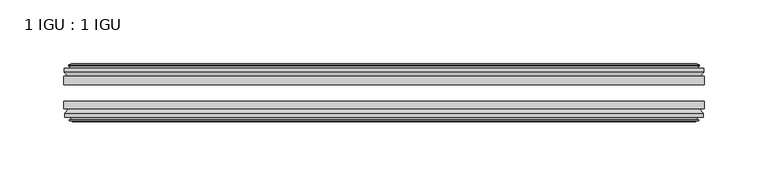
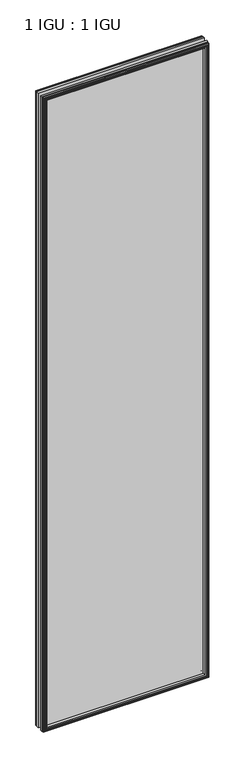
"""IFC4 building model written with IfcOpenShell, lengths in millimetres: plate geometry, 1 IGU : 1 IGU."""

from ifc_helpers import new_model, si_unit, frame, origin, place, context, project, spatial, polyline, outline, extrude, faceted_brep, source, transform, mapped, element, save


def plate_1_igu_1_igu_56df8c8b(model_context):
    return source(origin(), model_context, "Body", "SolidModel", [
        extrude(outline(polyline([(250.2044134, -25.8960937), (250.2044134, -32.2460938), (-250.2044134, -32.2460938), (-250.2044134, -25.8960937), (250.2044134, -25.8960937)])), frame((0.0, 0.0, -12.7), z_axis=(0.0, 0.0, 1.0), x_axis=(1.0, 0.0, 0.0)), (0.0, 0.0, 1.0), 2019.3),
        extrude(outline(polyline([(-250.2044134, -51.2960938), (-250.2044134, -45.2686737), (250.2044134, -45.2686737), (250.2044134, -51.2960938), (-250.2044134, -51.2960938)])), frame((0.0, 0.0, -12.7), z_axis=(0.0, 0.0, 1.0), x_axis=(1.0, 0.0, 0.0)), (0.0, 0.0, 1.0), 2019.3),
        faceted_brep([(-244.6164134, -60.0262907, 2001.012), (-244.9974134, -57.6460937, 2001.393), (-244.9974134, -57.6460937, -7.493), (-244.6164134, -60.0262907, -7.112), (-246.0319424, -59.5663575, 2002.4275291), (-246.0319424, -59.5663575, -8.5275291), (-246.0319424, -60.3675717, 2002.4275291), (-246.0319424, -60.3675717, -8.5275291), (-243.8544134, -61.0750937, 2000.25), (-243.8544134, -61.0750937, -6.35), (-241.6768843, -60.3675717, 1998.0724709), (-241.6768843, -60.3675717, -4.1724709), (-241.6768843, -59.5663575, 1998.0724709), (-241.6768843, -59.5663575, -4.1724709), (-243.0924134, -60.0262907, 1999.488), (-243.0924134, -60.0262907, -5.588), (-242.7114134, -57.6460937, 1999.107), (-242.7114134, -57.6460937, -5.207), (-235.7866953, -51.2960937, 1992.1822819), (-237.5044134, -57.6460937, 1993.9), (-237.5044134, -57.6460937, 0.0), (-235.7866953, -51.2960937, 1.7177181), (-249.4424134, -54.6996937, 2005.838), (-246.6080712, -51.2960937, 2003.0036578), (-246.6080712, -51.2960937, -9.1036578), (-249.4424134, -54.6996937, -11.938), (-249.4424134, -57.6460937, 2005.838), (-249.4424134, -57.6460937, -11.938), (244.9974134, -57.6460938, -7.493), (244.6164134, -60.0262907, -7.112), (246.0319424, -59.5663575, -8.5275291), (246.0319424, -60.3675717, -8.5275291), (243.8544134, -61.0750937, -6.35), (241.6768843, -60.3675717, -4.1724709), (241.6768843, -59.5663575, -4.1724709), (243.0924134, -60.0262907, -5.588), (242.7114134, -57.6460937, -5.207), (237.5044134, -57.6460937, 0.0), (235.7866953, -51.2960937, 1.7177181), (246.6080712, -51.2960937, -9.1036578), (249.4424134, -54.6996937, -11.938), (249.4424134, -57.6460938, -11.938), (244.9974134, -57.6460938, 2001.393), (244.6164134, -60.0262907, 2001.012), (246.0319424, -59.5663575, 2002.4275291), (246.0319424, -60.3675717, 2002.4275291), (243.8544134, -61.0750937, 2000.25), (241.6768843, -60.3675717, 1998.0724709), (241.6768843, -59.5663575, 1998.0724709), (243.0924134, -60.0262907, 1999.488), (242.7114134, -57.6460937, 1999.107), (237.5044134, -57.6460937, 1993.9), (235.7866953, -51.2960937, 1992.1822819), (246.6080712, -51.2960937, 2003.0036578), (249.4424134, -54.6996937, 2005.838), (249.4424134, -57.6460938, 2005.838)], [[[0, 1, 2, 3]], [[4, 0, 3, 5]], [[6, 4, 5, 7]], [[8, 6, 7, 9]], [[10, 8, 9, 11]], [[12, 10, 11, 13]], [[14, 12, 13, 15]], [[16, 14, 15, 17]], [[18, 19, 20, 21]], [[22, 23, 24, 25]], [[26, 22, 25, 27]], [[3, 2, 28, 29]], [[5, 3, 29, 30]], [[7, 5, 30, 31]], [[9, 7, 31, 32]], [[11, 9, 32, 33]], [[13, 11, 33, 34]], [[15, 13, 34, 35]], [[17, 15, 35, 36]], [[21, 20, 37, 38]], [[25, 24, 39, 40]], [[27, 25, 40, 41]], [[29, 28, 42, 43]], [[30, 29, 43, 44]], [[31, 30, 44, 45]], [[32, 31, 45, 46]], [[33, 32, 46, 47]], [[34, 33, 47, 48]], [[35, 34, 48, 49]], [[36, 35, 49, 50]], [[38, 37, 51, 52]], [[40, 39, 53, 54]], [[41, 40, 54, 55]], [[27, 41, 55, 26], [1, 42, 28, 2]], [[43, 42, 1, 0]], [[44, 43, 0, 4]], [[45, 44, 4, 6]], [[46, 45, 6, 8]], [[47, 46, 8, 10]], [[48, 47, 10, 12]], [[49, 48, 12, 14]], [[50, 49, 14, 16]], [[17, 36, 50, 16], [19, 51, 37, 20]], [[52, 51, 19, 18]], [[23, 53, 39, 24], [21, 38, 52, 18]], [[54, 53, 23, 22]], [[55, 54, 22, 26]]]),
        faceted_brep([(-247.1287712, -25.8960937, 2003.5243578), (-249.9631134, -22.4924937, 2006.3587), (-249.9631134, -22.4924937, -12.4587), (-247.1287712, -25.8960937, -9.6243578), (-238.0251134, -19.5460937, 1994.4207), (-236.3073953, -25.8960937, 1992.7029819), (-236.3073953, -25.8960937, 1.1970181), (-238.0251134, -19.5460937, -0.5207), (-243.6131134, -17.1658968, 2000.0087), (-243.2321134, -19.5460937, 1999.6277), (-243.2321134, -19.5460937, -5.7277), (-243.6131134, -17.1658968, -6.1087), (-242.1975843, -17.62583, 1998.5931709), (-242.1975843, -17.62583, -4.6931709), (-242.1975843, -16.8246158, 1998.5931709), (-242.1975843, -16.8246158, -4.6931709), (-244.3751134, -16.1170937, 2000.7707), (-244.3751134, -16.1170937, -6.8707), (-246.5526424, -16.8246158, 2002.9482291), (-246.5526424, -16.8246158, -9.0482291), (-246.5526424, -17.62583, 2002.9482291), (-246.5526424, -17.62583, -9.0482291), (-245.1371134, -17.1658968, 2001.5327), (-245.1371134, -17.1658968, -7.6327), (-245.5181134, -19.5460937, 2001.9137), (-245.5181134, -19.5460937, -8.0137), (-249.9631134, -19.5460937, 2006.3587), (-249.9631134, -19.5460937, -12.4587), (249.9631134, -22.4924937, -12.4587), (247.1287712, -25.8960937, -9.6243578), (236.3073953, -25.8960937, 1.1970181), (238.0251134, -19.5460937, -0.5207), (243.2321134, -19.5460937, -5.7277), (243.6131134, -17.1658968, -6.1087), (242.1975843, -17.62583, -4.6931709), (242.1975843, -16.8246158, -4.6931709), (244.3751134, -16.1170937, -6.8707), (246.5526424, -16.8246158, -9.0482291), (246.5526424, -17.62583, -9.0482291), (245.1371134, -17.1658968, -7.6327), (245.5181134, -19.5460937, -8.0137), (249.9631134, -19.5460937, -12.4587), (249.9631134, -22.4924937, 2006.3587), (247.1287712, -25.8960937, 2003.5243578), (236.3073953, -25.8960937, 1992.7029819), (238.0251134, -19.5460937, 1994.4207), (243.2321134, -19.5460937, 1999.6277), (243.6131134, -17.1658968, 2000.0087), (242.1975843, -17.62583, 1998.5931709), (242.1975843, -16.8246158, 1998.5931709), (244.3751134, -16.1170937, 2000.7707), (246.5526424, -16.8246158, 2002.9482291), (246.5526424, -17.62583, 2002.9482291), (245.1371134, -17.1658968, 2001.5327), (245.5181134, -19.5460937, 2001.9137), (249.9631134, -19.5460937, 2006.3587)], [[[0, 1, 2, 3]], [[4, 5, 6, 7]], [[8, 9, 10, 11]], [[12, 8, 11, 13]], [[14, 12, 13, 15]], [[16, 14, 15, 17]], [[18, 16, 17, 19]], [[20, 18, 19, 21]], [[22, 20, 21, 23]], [[24, 22, 23, 25]], [[1, 26, 27, 2]], [[3, 2, 28, 29]], [[7, 6, 30, 31]], [[11, 10, 32, 33]], [[13, 11, 33, 34]], [[15, 13, 34, 35]], [[17, 15, 35, 36]], [[19, 17, 36, 37]], [[21, 19, 37, 38]], [[23, 21, 38, 39]], [[25, 23, 39, 40]], [[2, 27, 41, 28]], [[29, 28, 42, 43]], [[31, 30, 44, 45]], [[33, 32, 46, 47]], [[34, 33, 47, 48]], [[35, 34, 48, 49]], [[36, 35, 49, 50]], [[37, 36, 50, 51]], [[38, 37, 51, 52]], [[39, 38, 52, 53]], [[40, 39, 53, 54]], [[28, 41, 55, 42]], [[43, 42, 1, 0]], [[3, 29, 43, 0], [5, 44, 30, 6]], [[45, 44, 5, 4]], [[9, 46, 32, 10], [7, 31, 45, 4]], [[47, 46, 9, 8]], [[48, 47, 8, 12]], [[49, 48, 12, 14]], [[50, 49, 14, 16]], [[51, 50, 16, 18]], [[52, 51, 18, 20]], [[53, 52, 20, 22]], [[54, 53, 22, 24]], [[26, 55, 41, 27], [25, 40, 54, 24]], [[42, 55, 26, 1]]]),
    ])


if __name__ == "__main__":
    model = new_model("IFC4")
    model_context = context("Model", 3, world=origin())
    ifc_project = project(units=[si_unit("LENGTHUNIT", "METRE", prefix="MILLI")], contexts=[model_context])
    site = spatial("IfcSite", under=ifc_project)
    building = spatial("IfcBuilding", under=site)
    placement = place(None, origin())
    plate_1_igu_1_igu_shape = plate_1_igu_1_igu_56df8c8b(model_context)
    element("IfcPlate", 1, ObjectType="1 IGU : 1 IGU", at=placement, inside=building, context=model_context, shape_type="MappedRepresentation", body=[
        mapped(plate_1_igu_1_igu_shape, transform((0.0, 0.0, 0.0), x_axis=(1.0, 0.0, 0.0), y_axis=(0.0, 1.0, 0.0), z_axis=(0.0, 0.0, 1.0))),
    ])
    save(model, "model.ifc")
